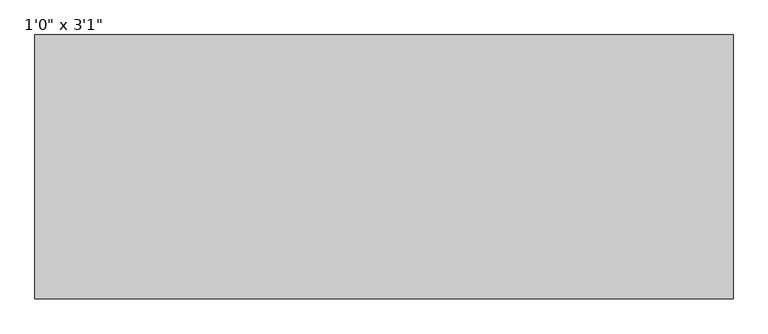
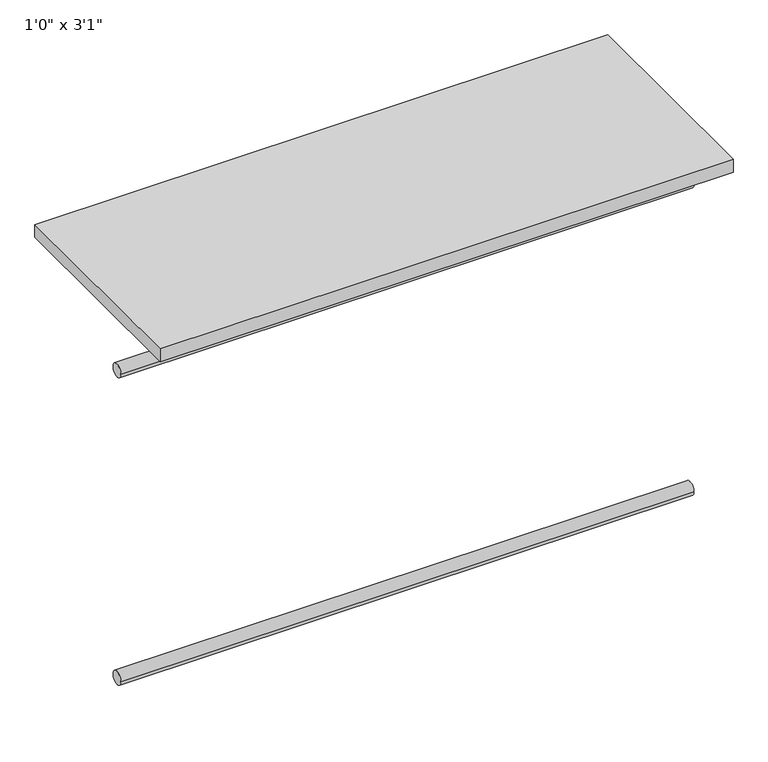
"""IFC4 building model written with IfcOpenShell, lengths in millimetres: furniture geometry."""

import ifcopenshell
import ifcopenshell.guid

model = None  # the IFC model being written
_history = None  # IfcOwnerHistory: only IFC2X3 demands one
_inside = {}  # id of a spatial element -> (the spatial element, [elements in it])
_under = {}  # id of a project, library or spatial element -> (it, [spatial elements below it])
_declared = {}  # id of a project -> (the project, [libraries it declares])
_typed = {}  # id of a type object -> (the type object, [elements of that type])
_made_of = {}  # id of a material, layer set ... -> (it, [elements and type objects made of it])


def new_model(schema):
    """Start an empty IFC model of exactly this schema.

    Asked for "IFC4X3", IfcOpenShell would pick the latest addendum, in which some entities
    have other attributes; the version numbers below select the first issue.
    IFC2X3 requires an IfcOwnerHistory on every rooted entity: one is made here for all.
    """
    global model, _history
    if schema == "IFC4X3":
        model = ifcopenshell.file(schema_version=(4, 3, 0, 0))
    else:
        model = ifcopenshell.file(schema=schema)
    _inside.clear()
    _under.clear()
    _declared.clear()
    _typed.clear()
    _made_of.clear()
    _history = None
    if model.schema == "IFC2X3":
        org = make("IfcOrganization", Name="unknown")
        user = make(
            "IfcPersonAndOrganization",
            ThePerson=make("IfcPerson", FamilyName="unknown"),
            TheOrganization=org,
        )
        app = make(
            "IfcApplication",
            ApplicationDeveloper=org,
            Version="unknown",
            ApplicationFullName="unknown",
            ApplicationIdentifier="unknown",
        )
        _history = make(
            "IfcOwnerHistory",
            OwningUser=user,
            OwningApplication=app,
            ChangeAction="ADDED",
            CreationDate=0,
        )
    return model


def make(cls, **values):
    """One entity of the class cls with the attributes given. An attribute that is None is left unset."""
    return model.create_entity(
        cls, **{name: value for name, value in values.items() if value is not None}
    )


def rooted(cls, **values):
    """An entity with a GlobalId (a new one), such as an element, a storey or a relation."""
    return make(cls, GlobalId=ifcopenshell.guid.new(), OwnerHistory=_history, **values)


def si_unit(unit_type, name, prefix=None):
    """IfcSIUnit, for example si_unit("LENGTHUNIT", "METRE", prefix="MILLI")."""
    return make("IfcSIUnit", UnitType=unit_type, Prefix=prefix, Name=name)


def assignment(units):
    """IfcUnitAssignment: the units of a project."""
    return None if units is None else make("IfcUnitAssignment", Units=units)


def point(xyz):
    """IfcCartesianPoint."""
    return None if xyz is None else make("IfcCartesianPoint", Coordinates=xyz)


def direction(xyz):
    """IfcDirection."""
    return None if xyz is None else make("IfcDirection", DirectionRatios=xyz)


def frame(location, z_axis=None, x_axis=None):
    """IfcAxis2Placement3D, a coordinate frame: its origin and axes. An axis left out is left unset."""
    return make(
        "IfcAxis2Placement3D",
        Location=point(location),
        Axis=direction(z_axis),
        RefDirection=direction(x_axis),
    )


def frame_2d(location, x_axis=None):
    """IfcAxis2Placement2D, a coordinate frame in the plane: its origin and x axis."""
    return make(
        "IfcAxis2Placement2D", Location=point(location), RefDirection=direction(x_axis)
    )


def origin():
    """The frame at (0, 0, 0) with its axes left unset."""
    return frame((0.0, 0.0, 0.0))


def origin_with_axes():
    """The frame at (0, 0, 0) with the z axis (0, 0, 1) and the x axis (1, 0, 0) written out."""
    return frame((0.0, 0.0, 0.0), z_axis=(0.0, 0.0, 1.0), x_axis=(1.0, 0.0, 0.0))


def place(relative_to, where):
    """IfcLocalPlacement: puts the frame where relative to a parent placement (None: the world)."""
    return make(
        "IfcLocalPlacement", PlacementRelTo=relative_to, RelativePlacement=where
    )


def context(
    kind, dimensions, precision=None, world=None, true_north=None, identifier=None
):
    """IfcGeometricRepresentationContext, for example the 3D "Model" context."""
    return make(
        "IfcGeometricRepresentationContext",
        ContextIdentifier=identifier,
        ContextType=kind,
        CoordinateSpaceDimension=dimensions,
        Precision=precision,
        WorldCoordinateSystem=world,
        TrueNorth=true_north,
    )


def project(units=None, contexts=None):
    """IfcProject with its units and contexts."""
    return rooted(
        "IfcProject",
        Name="project",
        RepresentationContexts=contexts,
        UnitsInContext=assignment(units),
    )


def spatial(cls, under=None, at=None, **own):
    """A site, building, storey or space (cls), placed at a placement, below another one or the project."""
    s = rooted(cls, ObjectPlacement=at, **own)
    if under is not None:
        _under.setdefault(under.id(), (under, []))[1].append(s)
    return s


def polyline(points):
    """IfcPolyline through the points."""
    return make("IfcPolyline", Points=[point(p) for p in points])


def circle_curve(where, radius):
    """IfcCircle in the frame where."""
    return make("IfcCircle", Position=where, Radius=radius)


def trimmed(basis, trim1, trim2, sense, master):
    """IfcTrimmedCurve: the piece of a basis curve between two trims."""
    return make(
        "IfcTrimmedCurve",
        BasisCurve=basis,
        Trim1=trim1,
        Trim2=trim2,
        SenseAgreement=sense,
        MasterRepresentation=master,
    )


def segment(curve, same_sense, transition):
    """IfcCompositeCurveSegment."""
    return make(
        "IfcCompositeCurveSegment",
        Transition=transition,
        SameSense=same_sense,
        ParentCurve=curve,
    )


def composite_curve(segments, self_intersect=None):
    """IfcCompositeCurve: segments joined end to end."""
    return make("IfcCompositeCurve", Segments=segments, SelfIntersect=self_intersect)


def outline(outer, holes=None, kind="AREA"):
    """IfcArbitraryClosedProfileDef: a profile drawn as a closed curve; with holes, ...WithVoids."""
    if holes is None:
        return make("IfcArbitraryClosedProfileDef", ProfileType=kind, OuterCurve=outer)
    return make(
        "IfcArbitraryProfileDefWithVoids",
        ProfileType=kind,
        OuterCurve=outer,
        InnerCurves=holes,
    )


def extrude(swept, where, along, depth):
    """IfcExtrudedAreaSolid: the profile swept, set in the frame where, extruded along a direction by depth."""
    return make(
        "IfcExtrudedAreaSolid",
        SweptArea=swept,
        Position=where,
        ExtrudedDirection=direction(along),
        Depth=depth,
    )


def shape(context_of_items, identifier, shape_type, items):
    """IfcShapeRepresentation: the items that make up one representation, for example the "Body"."""
    return make(
        "IfcShapeRepresentation",
        ContextOfItems=context_of_items,
        RepresentationIdentifier=identifier,
        RepresentationType=shape_type,
        Items=items,
    )


def source(mapping_origin, context_of_items, identifier, shape_type, items):
    """IfcRepresentationMap: a shape defined once, which mapped items show again and again."""
    return make(
        "IfcRepresentationMap",
        MappingOrigin=mapping_origin,
        MappedRepresentation=shape(context_of_items, identifier, shape_type, items),
    )


def transform(
    local_origin,
    x_axis=None,
    y_axis=None,
    z_axis=None,
    scale=None,
    scale2=None,
    scale3=None,
    uniform=True,
):
    """IfcCartesianTransformationOperator3D, or its non-uniform kind. x_axis, y_axis, z_axis: its Axis1, 2, 3."""
    if uniform:
        return make(
            "IfcCartesianTransformationOperator3D",
            Axis1=direction(x_axis),
            Axis2=direction(y_axis),
            LocalOrigin=point(local_origin),
            Scale=scale,
            Axis3=direction(z_axis),
        )
    return make(
        "IfcCartesianTransformationOperator3DnonUniform",
        Axis1=direction(x_axis),
        Axis2=direction(y_axis),
        LocalOrigin=point(local_origin),
        Scale=scale,
        Axis3=direction(z_axis),
        Scale2=scale2,
        Scale3=scale3,
    )


def mapped(mapping_source, mapping_target):
    """IfcMappedItem: shows the shape of a source again, moved by a transform."""
    return make(
        "IfcMappedItem", MappingSource=mapping_source, MappingTarget=mapping_target
    )


def made_of(thing, what):
    """Note that an element or type object is made of a material, layer set ...; save() writes the relation."""
    if what is not None:
        _made_of.setdefault(what.id(), (what, []))[1].append(thing)
    return thing


def element(
    cls,
    number,
    at=None,
    inside=None,
    cuts=None,
    type_object=None,
    material=None,
    context=None,
    identifier="Body",
    shape_type=None,
    held_by="IfcProductDefinitionShape",
    body=None,
    shapes=None,
    **own,
):
    """One element of the class cls, such as IfcWall. Its Tag is "e" and its number.

    at: its placement. inside: the storey or other place that contains it. cuts: it is an
    opening in that element (IfcRelVoidsElement). A single representation is given by context,
    identifier, shape_type and body (its items); several are given by shapes. held_by: the class
    of the entity that holds the representations. save() writes the other relations.
    """
    e = rooted(cls, Tag="e%d" % number, ObjectPlacement=at, **own)
    if body is not None:
        shapes = [shape(context, identifier, shape_type, body)]
    if shapes is not None:
        e.Representation = make(held_by, Representations=shapes)
    if inside is not None:
        _inside.setdefault(inside.id(), (inside, []))[1].append(e)
    if cuts is not None:
        rooted(
            "IfcRelVoidsElement", RelatingBuildingElement=cuts, RelatedOpeningElement=e
        )
    if type_object is not None:
        _typed.setdefault(type_object.id(), (type_object, []))[1].append(e)
    return made_of(e, material)


def aggregate(whole, parts):
    """IfcRelAggregates: a whole, such as a stair, and the parts it consists of."""
    return rooted("IfcRelAggregates", RelatingObject=whole, RelatedObjects=parts)


def save(model, path):
    """Write the relations noted so far, then the file.

    IfcRelAggregates (storeys below a building ...), IfcRelContainedInSpatialStructure (elements
    in a storey), IfcRelDefinesByType, IfcRelAssociatesMaterial and IfcRelDeclares: one each for
    every whole, place, type object, material and project.
    """
    for whole, parts in _under.values():
        aggregate(whole, parts)
    for where, things in _inside.values():
        rooted(
            "IfcRelContainedInSpatialStructure",
            RelatedElements=things,
            RelatingStructure=where,
        )
    for kind, things in _typed.values():
        rooted("IfcRelDefinesByType", RelatedObjects=things, RelatingType=kind)
    for what, things in _made_of.values():
        rooted("IfcRelAssociatesMaterial", RelatedObjects=things, RelatingMaterial=what)
    for by, libraries in _declared.values():
        rooted("IfcRelDeclares", RelatingContext=by, RelatedDefinitions=libraries)
    model.write(path)


def furniture_4f0eea7f(model_context):
    return source(origin(), model_context, "Body", "SweptSolid", [
        extrude(outline(composite_curve([segment(trimmed(circle_curve(frame_2d((342.9, -711.2)), 12.7), [point((330.2, -711.2))], [point((355.6, -711.2))], False, "CARTESIAN"), True, "CONTINUOUS"), segment(trimmed(circle_curve(frame_2d((342.9, -711.2)), 12.7), [point((355.6, -711.2))], [point((330.2, -711.2))], False, "CARTESIAN"), True, "CONTINUOUS")], self_intersect=False)), frame((-518.6310451, 0.0, 0.0), z_axis=(1.0, 0.0, 0.0), x_axis=(0.0, 1.0, 0.0)), (0.0, 0.0, 1.0), 1074.7375),
        extrude(outline(composite_curve([segment(trimmed(circle_curve(frame_2d((342.9, -101.6)), 12.7), [point((330.2, -101.6))], [point((355.6, -101.6))], False, "CARTESIAN"), True, "CONTINUOUS"), segment(trimmed(circle_curve(frame_2d((342.9, -101.6)), 12.7), [point((355.6, -101.6))], [point((330.2, -101.6))], False, "CARTESIAN"), True, "CONTINUOUS")], self_intersect=False)), frame((-518.6310451, 0.0, 0.0), z_axis=(1.0, 0.0, 0.0), x_axis=(0.0, 1.0, 0.0)), (0.0, 0.0, 1.0), 1074.7375),
        extrude(outline(polyline([(556.1064549, 203.2), (-518.6310451, 203.2), (-518.6310451, 609.6), (556.1064549, 609.6), (556.1064549, 203.2)])), origin_with_axes(), (0.0, 0.0, 1.0), 25.4),
    ])


if __name__ == "__main__":
    model = new_model("IFC4")
    model_context = context("Model", 3, world=origin())
    ifc_project = project(units=[si_unit("LENGTHUNIT", "METRE", prefix="MILLI")], contexts=[model_context])
    site = spatial("IfcSite", under=ifc_project)
    building = spatial("IfcBuilding", under=site)
    placement = place(None, origin())
    furniture_shape = furniture_4f0eea7f(model_context)
    element("IfcFurniture", 1, ObjectType="1'0\" x 3'1\"", at=placement, inside=building, context=model_context, shape_type="MappedRepresentation", body=[
        mapped(furniture_shape, transform((0.0, 0.0, 0.0), x_axis=(1.0, 0.0, 0.0), y_axis=(0.0, 1.0, 0.0), z_axis=(0.0, 0.0, 1.0))),
    ])
    save(model, "model.ifc")
